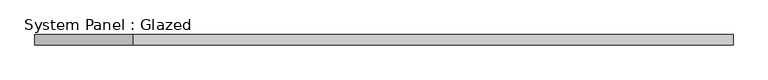
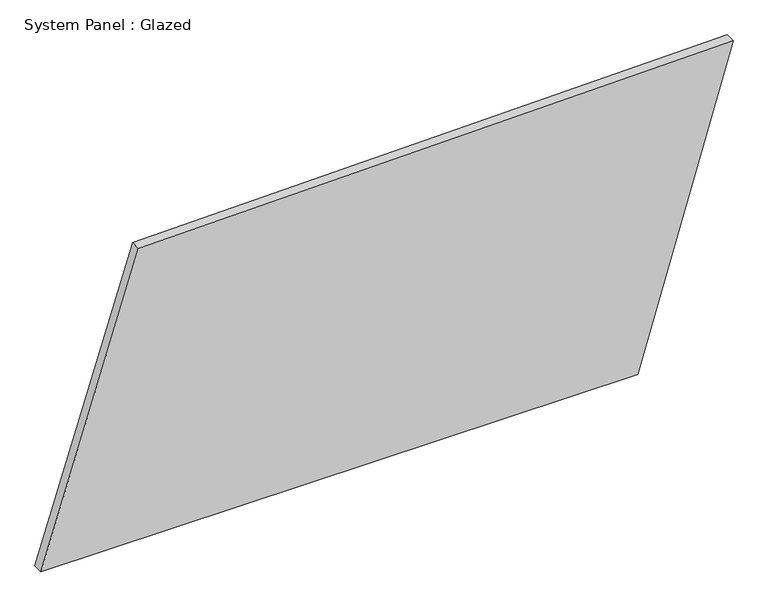
"""IFC4 building model written with IfcOpenShell, lengths in millimetres: plate geometry, System Panel : Glazed."""

from ifc_helpers import new_model, si_unit, frame, origin, place, context, project, spatial, polyline, outline, extrude, source, transform, mapped, element, save


def system_panel_glazed_eb4539af(model_context):
    return source(origin(), model_context, "Body", "SweptSolid", [
        extrude(outline(polyline([(0.0, -842.8141317), (0.0, 611.0365039), (777.9909833, 842.8141317), (749.8956336, -605.1506701), (0.0, -842.8141317)])), frame((0.0, -49.5, 0.0), z_axis=(0.0, 1.0, 0.0), x_axis=(0.0, 0.0, 1.0)), (0.0, 0.0, 1.0), 25.0),
    ])


if __name__ == "__main__":
    model = new_model("IFC4")
    model_context = context("Model", 3, world=origin())
    ifc_project = project(units=[si_unit("LENGTHUNIT", "METRE", prefix="MILLI")], contexts=[model_context])
    site = spatial("IfcSite", under=ifc_project)
    building = spatial("IfcBuilding", under=site)
    placement = place(None, origin())
    system_panel_glazed_shape = system_panel_glazed_eb4539af(model_context)
    element("IfcPlate", 1, ObjectType="System Panel : Glazed", at=placement, inside=building, context=model_context, shape_type="MappedRepresentation", body=[
        mapped(system_panel_glazed_shape, transform((0.0, 0.0, 0.0), x_axis=(1.0, 0.0, 0.0), y_axis=(0.0, 1.0, 0.0), z_axis=(0.0, 0.0, 1.0))),
    ])
    save(model, "model.ifc")
